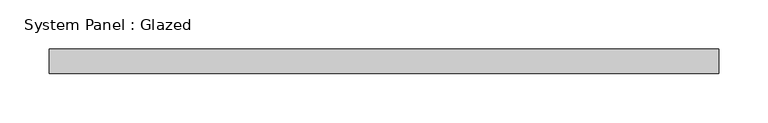
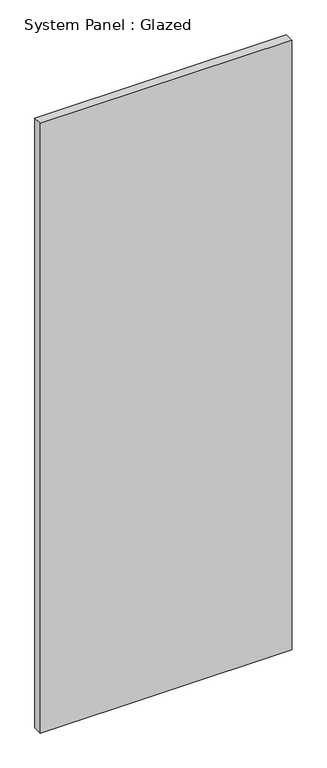
"""IFC4 building model written with IfcOpenShell, lengths in millimetres: plate geometry, System Panel : Glazed."""

from ifc_helpers import new_model, si_unit, origin, origin_with_axes, place, context, project, spatial, polyline, outline, extrude, source, transform, mapped, element, save


def system_panel_glazed_1448f209(model_context):
    return source(origin(), model_context, "Body", "SweptSolid", [
        extrude(outline(polyline([(340.0, 24.5), (-340.0, 24.5), (-340.0, 49.5), (340.0, 49.5), (340.0, 24.5)])), origin_with_axes(), (0.0, 0.0, 1.0), 1743.3333333),
    ])


if __name__ == "__main__":
    model = new_model("IFC4")
    model_context = context("Model", 3, world=origin())
    ifc_project = project(units=[si_unit("LENGTHUNIT", "METRE", prefix="MILLI")], contexts=[model_context])
    site = spatial("IfcSite", under=ifc_project)
    building = spatial("IfcBuilding", under=site)
    placement = place(None, origin())
    system_panel_glazed_shape = system_panel_glazed_1448f209(model_context)
    element("IfcPlate", 1, ObjectType="System Panel : Glazed", at=placement, inside=building, context=model_context, shape_type="MappedRepresentation", body=[
        mapped(system_panel_glazed_shape, transform((0.0, 0.0, 0.0), x_axis=(1.0, 0.0, 0.0), y_axis=(0.0, 1.0, 0.0), z_axis=(0.0, 0.0, 1.0))),
    ])
    save(model, "model.ifc")
